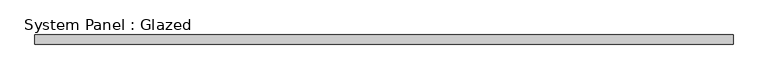
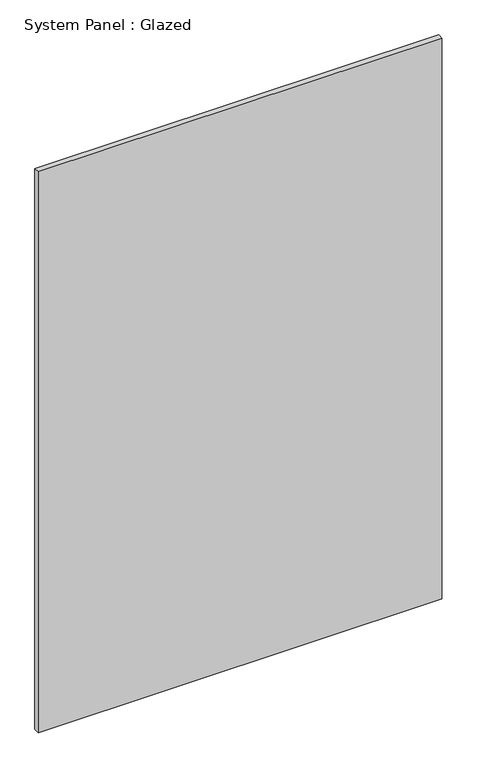
"""IFC4 building model written with IfcOpenShell, lengths in millimetres: plate geometry, System Panel : Glazed."""

from ifc_helpers import new_model, si_unit, origin, origin_with_axes, place, context, project, spatial, polyline, outline, extrude, source, transform, mapped, element, save


def system_panel_glazed_299a5a13(model_context):
    return source(origin(), model_context, "Body", "SweptSolid", [
        extrude(outline(polyline([(915.0, 24.5), (-915.0, 24.5), (-915.0, 49.5), (915.0, 49.5), (915.0, 24.5)])), origin_with_axes(), (0.0, 0.0, 1.0), 2690.0),
    ])


if __name__ == "__main__":
    model = new_model("IFC4")
    model_context = context("Model", 3, world=origin())
    ifc_project = project(units=[si_unit("LENGTHUNIT", "METRE", prefix="MILLI")], contexts=[model_context])
    site = spatial("IfcSite", under=ifc_project)
    building = spatial("IfcBuilding", under=site)
    placement = place(None, origin())
    system_panel_glazed_shape = system_panel_glazed_299a5a13(model_context)
    element("IfcPlate", 1, ObjectType="System Panel : Glazed", at=placement, inside=building, context=model_context, shape_type="MappedRepresentation", body=[
        mapped(system_panel_glazed_shape, transform((0.0, 0.0, 0.0), x_axis=(1.0, 0.0, 0.0), y_axis=(0.0, 1.0, 0.0), z_axis=(0.0, 0.0, 1.0))),
    ])
    save(model, "model.ifc")
